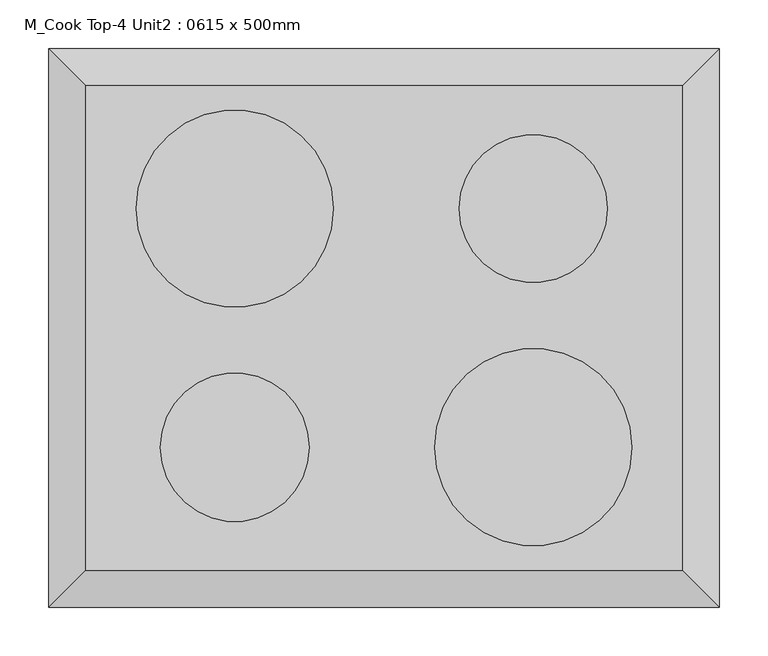
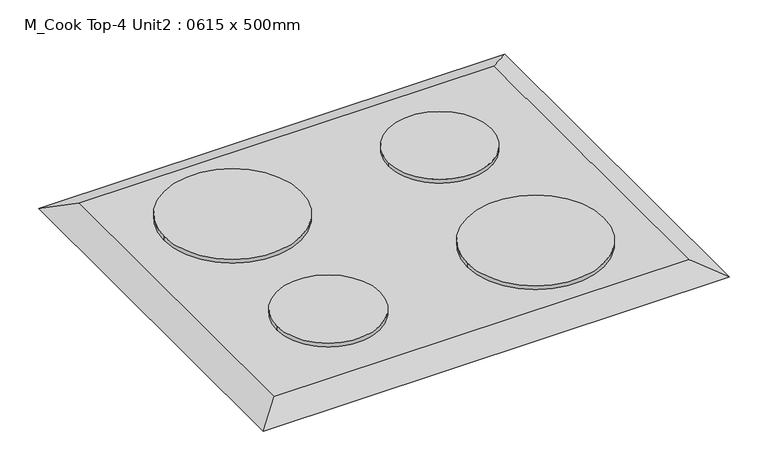
"""IFC4 building model written with IfcOpenShell, lengths in millimetres: proxy geometry, M_Cook Top-4 Unit2 : 0615 x 500mm."""

from ifc_helpers import new_model, si_unit, point, frame, frame_2d, origin, place, context, project, spatial, circle_curve, trimmed, segment, composite_curve, outline, extrude, faceted_brep, source, transform, mapped, element, save


def m_cook_top_4_unit2_0615_x_500mm_c91639ce(model_context):
    return source(origin(), model_context, "Body", "SolidModel", [
        faceted_brep([(307.5, -250.0, 918.0), (307.5, 250.0, 918.0), (-307.5, 250.0, 918.0), (-307.5, -250.0, 918.0), (345.6, -288.1, 900.0), (-345.6, -288.1, 900.0), (-345.6, 288.1, 900.0), (345.6, 288.1, 900.0)], [[[0, 1, 2, 3]], [[4, 5, 6, 7]], [[4, 0, 3, 5]], [[5, 3, 2, 6]], [[6, 2, 1, 7]], [[7, 1, 0, 4]]]),
        extrude(outline(composite_curve([segment(trimmed(circle_curve(frame_2d((153.75, 123.0)), 76.2), [point((77.55, 123.0))], [point((229.95, 123.0))], False, "CARTESIAN"), True, "CONTINUOUS"), segment(trimmed(circle_curve(frame_2d((153.75, 123.0)), 76.2), [point((229.95, 123.0))], [point((77.55, 123.0))], False, "CARTESIAN"), True, "CONTINUOUS")], self_intersect=False)), frame((0.0, 0.0, 918.0), z_axis=(0.0, 0.0, 1.0), x_axis=(1.0, 0.0, 0.0)), (0.0, 0.0, 1.0), 6.35),
        extrude(outline(composite_curve([segment(trimmed(circle_curve(frame_2d((153.75, -123.0)), 101.6), [point((52.15, -123.0))], [point((255.35, -123.0))], False, "CARTESIAN"), True, "CONTINUOUS"), segment(trimmed(circle_curve(frame_2d((153.75, -123.0)), 101.6), [point((255.35, -123.0))], [point((52.15, -123.0))], False, "CARTESIAN"), True, "CONTINUOUS")], self_intersect=False)), frame((0.0, 0.0, 918.0), z_axis=(0.0, 0.0, 1.0), x_axis=(1.0, 0.0, 0.0)), (0.0, 0.0, 1.0), 6.35),
        extrude(outline(composite_curve([segment(trimmed(circle_curve(frame_2d((-153.75, -123.0)), 76.59), [point((-230.34, -123.0))], [point((-77.16, -123.0))], False, "CARTESIAN"), True, "CONTINUOUS"), segment(trimmed(circle_curve(frame_2d((-153.75, -123.0)), 76.59), [point((-77.16, -123.0))], [point((-230.34, -123.0))], False, "CARTESIAN"), True, "CONTINUOUS")], self_intersect=False)), frame((0.0, 0.0, 918.0), z_axis=(0.0, 0.0, 1.0), x_axis=(1.0, 0.0, 0.0)), (0.0, 0.0, 1.0), 6.35),
        extrude(outline(composite_curve([segment(trimmed(circle_curve(frame_2d((-153.75, 123.0)), 101.6), [point((-52.15, 123.0))], [point((-255.35, 123.0))], False, "CARTESIAN"), True, "CONTINUOUS"), segment(trimmed(circle_curve(frame_2d((-153.75, 123.0)), 101.6), [point((-255.35, 123.0))], [point((-52.15, 123.0))], False, "CARTESIAN"), True, "CONTINUOUS")], self_intersect=False)), frame((0.0, 0.0, 918.0), z_axis=(0.0, 0.0, 1.0), x_axis=(1.0, 0.0, 0.0)), (0.0, 0.0, 1.0), 6.35),
    ])


if __name__ == "__main__":
    model = new_model("IFC4")
    model_context = context("Model", 3, world=origin())
    ifc_project = project(units=[si_unit("LENGTHUNIT", "METRE", prefix="MILLI")], contexts=[model_context])
    site = spatial("IfcSite", under=ifc_project)
    building = spatial("IfcBuilding", under=site)
    placement = place(None, origin())
    m_cook_top_4_unit2_0615_x_500mm_shape = m_cook_top_4_unit2_0615_x_500mm_c91639ce(model_context)
    element("IfcBuildingElementProxy", 1, Name="M_Cook Top-4 Unit2 : 0615 x 500mm", ObjectType="M_Cook Top-4 Unit2 : 0615 x 500mm", at=placement, inside=building, context=model_context, shape_type="MappedRepresentation", body=[
        mapped(m_cook_top_4_unit2_0615_x_500mm_shape, transform((0.0, 0.0, 0.0), x_axis=(1.0, 0.0, 0.0), y_axis=(0.0, 1.0, 0.0), z_axis=(0.0, 0.0, 1.0))),
    ])
    save(model, "model.ifc")
